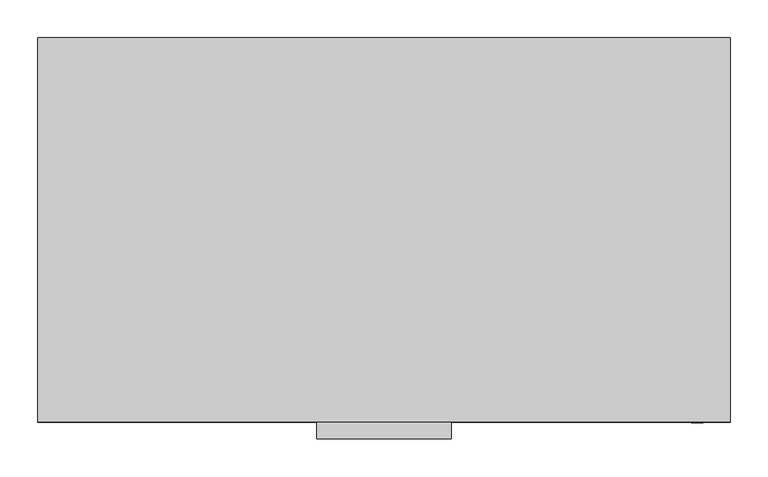
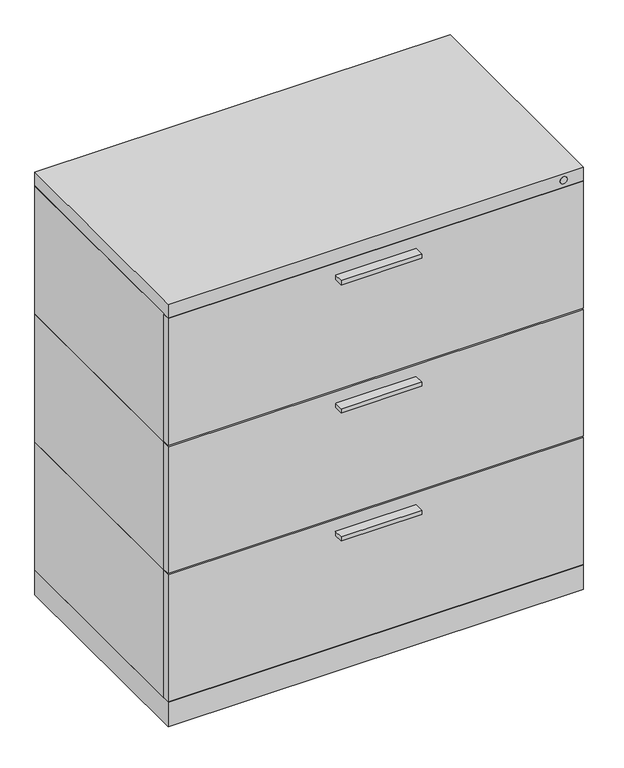
"""IFC4 building model written with IfcOpenShell, lengths in millimetres: furniture geometry."""

from ifc_helpers import new_model, si_unit, point, frame, frame_2d, origin, origin_with_axes, place, context, project, spatial, polyline, circle_curve, trimmed, segment, composite_curve, outline, extrude, source, transform, mapped, element, save


def furniture_8ba1c588(model_context):
    return source(origin(), model_context, "Body", "SweptSolid", [
        extrude(outline(polyline([(457.2, -237.3376), (457.2, -254.0), (-457.2, -254.0), (-457.2, -237.3376), (457.2, -237.3376)])), frame((0.0, 0.0, 655.6375), z_axis=(0.0, 0.0, 1.0), x_axis=(1.0, 0.0, 0.0)), (0.0, 0.0, 1.0), 295.2877),
        extrude(outline(polyline([(457.2, 254.0), (457.2, -237.3376), (-457.2, -237.3376), (-457.2, 254.0), (457.2, 254.0)])), frame((0.0, 0.0, 654.05), z_axis=(0.0, 0.0, 1.0), x_axis=(1.0, 0.0, 0.0)), (0.0, 0.0, 1.0), 298.45),
        extrude(outline(polyline([(-88.9, -254.0), (88.9, -254.0), (88.9, -276.225), (-88.9, -276.225), (-88.9, -254.0)])), frame((0.0, 0.0, 914.4), z_axis=(0.0, 0.0, 1.0), x_axis=(1.0, 0.0, 0.0)), (0.0, 0.0, 1.0), 9.525),
        extrude(outline(polyline([(457.2, -237.3376), (457.2, -254.0), (-457.2, -254.0), (-457.2, -237.3376), (457.2, -237.3376)])), frame((0.0, 0.0, 357.1875), z_axis=(0.0, 0.0, 1.0), x_axis=(1.0, 0.0, 0.0)), (0.0, 0.0, 1.0), 295.2877),
        extrude(outline(polyline([(457.2, 254.0), (457.2, -237.3376), (-457.2, -237.3376), (-457.2, 254.0), (457.2, 254.0)])), frame((0.0, 0.0, 355.6), z_axis=(0.0, 0.0, 1.0), x_axis=(1.0, 0.0, 0.0)), (0.0, 0.0, 1.0), 298.45),
        extrude(outline(polyline([(-88.9, -254.0), (88.9, -254.0), (88.9, -276.225), (-88.9, -276.225), (-88.9, -254.0)])), frame((0.0, 0.0, 615.95), z_axis=(0.0, 0.0, 1.0), x_axis=(1.0, 0.0, 0.0)), (0.0, 0.0, 1.0), 9.525),
        extrude(outline(polyline([(457.2, -237.3376), (457.2, -254.0), (-457.2, -254.0), (-457.2, -237.3376), (457.2, -237.3376)])), frame((0.0, 0.0, 58.7375), z_axis=(0.0, 0.0, 1.0), x_axis=(1.0, 0.0, 0.0)), (0.0, 0.0, 1.0), 295.2877),
        extrude(outline(polyline([(457.2, 254.0), (457.2, -237.3376), (-457.2, -237.3376), (-457.2, 254.0), (457.2, 254.0)])), frame((0.0, 0.0, 57.15), z_axis=(0.0, 0.0, 1.0), x_axis=(1.0, 0.0, 0.0)), (0.0, 0.0, 1.0), 298.45),
        extrude(outline(polyline([(-88.9, -254.0), (88.9, -254.0), (88.9, -276.225), (-88.9, -276.225), (-88.9, -254.0)])), frame((0.0, 0.0, 317.5), z_axis=(0.0, 0.0, 1.0), x_axis=(1.0, 0.0, 0.0)), (0.0, 0.0, 1.0), 9.525),
        extrude(outline(polyline([(457.2, 254.0), (457.2, -254.0), (-457.2, -254.0), (-457.2, 254.0), (457.2, 254.0)])), frame((0.0, 0.0, 952.5), z_axis=(0.0, 0.0, 1.0), x_axis=(1.0, 0.0, 0.0)), (0.0, 0.0, 1.0), 31.75),
        extrude(outline(polyline([(457.2, 254.0), (457.2, -254.0), (-457.2, -254.0), (-457.2, 254.0), (457.2, 254.0)])), origin_with_axes(), (0.0, 0.0, 1.0), 57.15),
        extrude(outline(composite_curve([segment(trimmed(circle_curve(frame_2d((969.2005, 413.54248)), 8.001), [point((969.2005, 421.54348))], [point((969.2005, 405.54148))], False, "CARTESIAN"), True, "CONTINUOUS"), segment(trimmed(circle_curve(frame_2d((969.2005, 413.54248)), 8.001), [point((969.2005, 405.54148))], [point((969.2005, 421.54348))], False, "CARTESIAN"), True, "CONTINUOUS")], self_intersect=False)), frame((0.0, -254.79502, 0.0), z_axis=(0.0, 1.0, 0.0), x_axis=(0.0, 0.0, 1.0)), (0.0, 0.0, 1.0), 0.79502),
    ])


if __name__ == "__main__":
    model = new_model("IFC4")
    model_context = context("Model", 3, world=origin())
    ifc_project = project(units=[si_unit("LENGTHUNIT", "METRE", prefix="MILLI")], contexts=[model_context])
    site = spatial("IfcSite", under=ifc_project)
    building = spatial("IfcBuilding", under=site)
    placement = place(None, origin())
    furniture_shape = furniture_8ba1c588(model_context)
    element("IfcFurniture", 1, at=placement, inside=building, context=model_context, shape_type="MappedRepresentation", body=[
        mapped(furniture_shape, transform((0.0, 0.0, 0.0), x_axis=(1.0, 0.0, 0.0), y_axis=(0.0, 1.0, 0.0), z_axis=(0.0, 0.0, 1.0))),
    ])
    save(model, "model.ifc")
